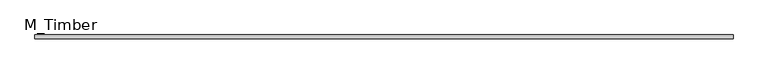
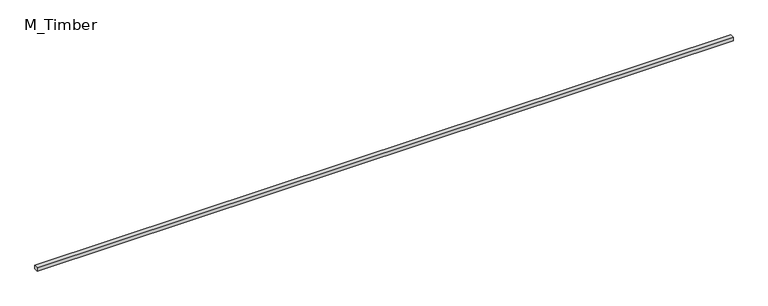
"""IFC4 building model written with IfcOpenShell, lengths in millimetres: beam geometry, M_Timber."""

from ifc_helpers import new_model, si_unit, frame, origin, place, context, project, spatial, polyline, outline, extrude, source, transform, mapped, element, save


def m_timber_65c174b3(model_context):
    return source(origin(), model_context, "Body", "SweptSolid", [
        extrude(outline(polyline([(3773.8877697, 20.0), (3773.8877697, -20.0), (-3773.8877697, -20.0), (-3773.8877697, 20.0), (3773.8877697, 20.0)])), frame((0.0, 0.0, -20.0), z_axis=(0.0, 0.0, 1.0), x_axis=(1.0, 0.0, 0.0)), (0.0, 0.0, 1.0), 40.0),
    ])


if __name__ == "__main__":
    model = new_model("IFC4")
    model_context = context("Model", 3, world=origin())
    ifc_project = project(units=[si_unit("LENGTHUNIT", "METRE", prefix="MILLI")], contexts=[model_context])
    site = spatial("IfcSite", under=ifc_project)
    building = spatial("IfcBuilding", under=site)
    placement = place(None, origin())
    m_timber_shape = m_timber_65c174b3(model_context)
    element("IfcBeam", 1, ObjectType="M_Timber", at=placement, inside=building, context=model_context, shape_type="MappedRepresentation", body=[
        mapped(m_timber_shape, transform((0.0, 0.0, 0.0), x_axis=(1.0, 0.0, 0.0), y_axis=(0.0, 1.0, 0.0), z_axis=(0.0, 0.0, 1.0))),
    ])
    save(model, "model.ifc")
